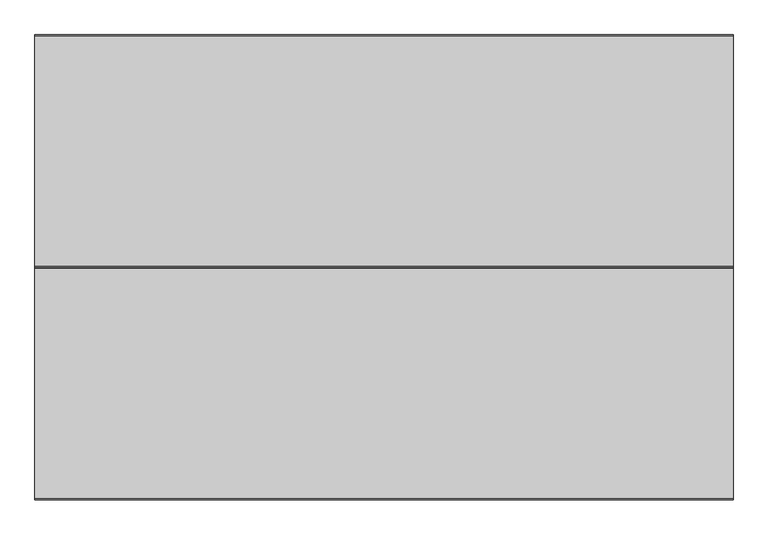
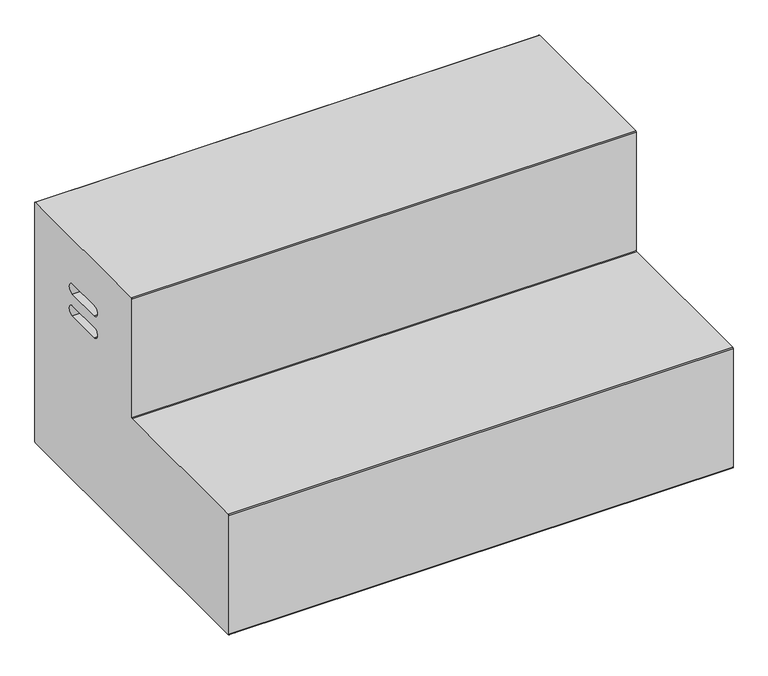
"""IFC4 building model written with IfcOpenShell, lengths in millimetres: furniture geometry."""

from ifc_helpers import new_model, si_unit, point, frame, frame_2d, origin, origin_with_axes, place, context, project, spatial, polyline, circle_curve, trimmed, segment, composite_curve, outline, extrude, source, transform, mapped, element, save


def furniture_24e6e255(model_context):
    return source(origin(), model_context, "Body", "SweptSolid", [
        extrude(outline(composite_curve([segment(polyline([(-505.46, 787.4), (-2.54, 787.4)]), True, "CONTINUOUS"), segment(trimmed(circle_curve(frame_2d((-2.54, 784.86)), 2.54), [point((-2.54, 787.4))], [point((0.0, 784.86))], False, "CARTESIAN"), True, "CONTINUOUS"), segment(polyline([(0.0, 784.86), (0.0, 21.59)]), True, "CONTINUOUS"), segment(trimmed(circle_curve(frame_2d((-2.54, 21.59)), 2.54), [point((0.0, 21.59))], [point((-2.54, 19.05))], False, "CARTESIAN"), True, "CONTINUOUS"), segment(polyline([(-2.54, 19.05), (-1013.46, 19.05)]), True, "CONTINUOUS"), segment(trimmed(circle_curve(frame_2d((-1013.46, 21.59)), 2.54), [point((-1013.46, 19.05))], [point((-1016.0, 21.59))], False, "CARTESIAN"), True, "CONTINUOUS"), segment(polyline([(-1016.0, 21.59), (-1016.0, 400.685)]), True, "CONTINUOUS"), segment(trimmed(circle_curve(frame_2d((-1013.46, 400.685)), 2.54), [point((-1016.0, 400.685))], [point((-1013.46, 403.225))], False, "CARTESIAN"), True, "CONTINUOUS"), segment(polyline([(-1013.46, 403.225), (-510.54, 403.225)]), True, "CONTINUOUS"), segment(trimmed(circle_curve(frame_2d((-510.54, 405.765)), 2.54), [point((-510.54, 403.225))], [point((-508.0, 405.765))], True, "CARTESIAN"), True, "CONTINUOUS"), segment(polyline([(-508.0, 405.765), (-508.0, 784.86)]), True, "CONTINUOUS"), segment(trimmed(circle_curve(frame_2d((-505.46, 784.86)), 2.54), [point((-508.0, 784.86))], [point((-505.46, 787.4))], False, "CARTESIAN"), True, "CONTINUOUS")], self_intersect=False), holes=[composite_curve([segment(trimmed(circle_curve(frame_2d((-196.7835331, 558.06975)), 15.81785), [point((-196.7835331, 542.2519))], [point((-196.7835331, 573.8876))], True, "CARTESIAN"), True, "CONTINUOUS"), segment(polyline([(-196.7835331, 573.8876), (-311.2164669, 573.8876)]), True, "CONTINUOUS"), segment(trimmed(circle_curve(frame_2d((-311.2164669, 558.06975)), 15.81785), [point((-311.2164669, 573.8876))], [point((-311.2164669, 542.2519))], True, "CARTESIAN"), True, "CONTINUOUS"), segment(polyline([(-311.2164669, 542.2519), (-196.7835331, 542.2519)]), True, "CONTINUOUS")], self_intersect=False), composite_curve([segment(polyline([(-311.2164669, 611.9749), (-196.7835331, 611.9749)]), True, "CONTINUOUS"), segment(trimmed(circle_curve(frame_2d((-196.7835331, 627.79275)), 15.81785), [point((-196.7835331, 611.9749))], [point((-196.7835331, 643.6106))], True, "CARTESIAN"), True, "CONTINUOUS"), segment(polyline([(-196.7835331, 643.6106), (-311.2164669, 643.6106)]), True, "CONTINUOUS"), segment(trimmed(circle_curve(frame_2d((-311.2164669, 627.79275)), 15.81785), [point((-311.2164669, 643.6106))], [point((-311.2164669, 611.9749))], True, "CARTESIAN"), True, "CONTINUOUS")], self_intersect=False)]), frame((0.0, 0.0, 0.0), z_axis=(1.0, 0.0, 0.0), x_axis=(0.0, 1.0, 0.0)), (0.0, 0.0, 1.0), 1524.0),
        extrude(outline(composite_curve([segment(trimmed(circle_curve(frame_2d((31.75, -38.1)), 12.7), [point((19.05, -38.1))], [point((44.45, -38.1))], False, "CARTESIAN"), True, "CONTINUOUS"), segment(trimmed(circle_curve(frame_2d((31.75, -38.1)), 12.7), [point((44.45, -38.1))], [point((19.05, -38.1))], False, "CARTESIAN"), True, "CONTINUOUS")], self_intersect=False)), origin_with_axes(), (0.0, 0.0, 1.0), 19.05),
        extrude(outline(composite_curve([segment(trimmed(circle_curve(frame_2d((31.75, -977.9)), 12.7), [point((19.05, -977.9))], [point((44.45, -977.9))], False, "CARTESIAN"), True, "CONTINUOUS"), segment(trimmed(circle_curve(frame_2d((31.75, -977.9)), 12.7), [point((44.45, -977.9))], [point((19.05, -977.9))], False, "CARTESIAN"), True, "CONTINUOUS")], self_intersect=False)), origin_with_axes(), (0.0, 0.0, 1.0), 19.05),
        extrude(outline(composite_curve([segment(trimmed(circle_curve(frame_2d((1492.25, -38.1)), 12.7), [point((1479.55, -38.1))], [point((1504.95, -38.1))], False, "CARTESIAN"), True, "CONTINUOUS"), segment(trimmed(circle_curve(frame_2d((1492.25, -38.1)), 12.7), [point((1504.95, -38.1))], [point((1479.55, -38.1))], False, "CARTESIAN"), True, "CONTINUOUS")], self_intersect=False)), origin_with_axes(), (0.0, 0.0, 1.0), 19.05),
        extrude(outline(composite_curve([segment(trimmed(circle_curve(frame_2d((1492.25, -977.9)), 12.7), [point((1479.55, -977.9))], [point((1504.95, -977.9))], False, "CARTESIAN"), True, "CONTINUOUS"), segment(trimmed(circle_curve(frame_2d((1492.25, -977.9)), 12.7), [point((1504.95, -977.9))], [point((1479.55, -977.9))], False, "CARTESIAN"), True, "CONTINUOUS")], self_intersect=False)), origin_with_axes(), (0.0, 0.0, 1.0), 19.05),
    ])


if __name__ == "__main__":
    model = new_model("IFC4")
    model_context = context("Model", 3, world=origin())
    ifc_project = project(units=[si_unit("LENGTHUNIT", "METRE", prefix="MILLI")], contexts=[model_context])
    site = spatial("IfcSite", under=ifc_project)
    building = spatial("IfcBuilding", under=site)
    placement = place(None, origin())
    furniture_shape = furniture_24e6e255(model_context)
    element("IfcFurniture", 1, at=placement, inside=building, context=model_context, shape_type="MappedRepresentation", body=[
        mapped(furniture_shape, transform((0.0, 0.0, 0.0), x_axis=(1.0, 0.0, 0.0), y_axis=(0.0, 1.0, 0.0), z_axis=(0.0, 0.0, 1.0))),
    ])
    save(model, "model.ifc")
